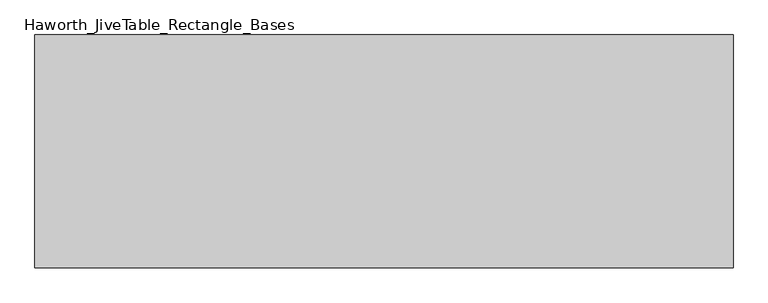
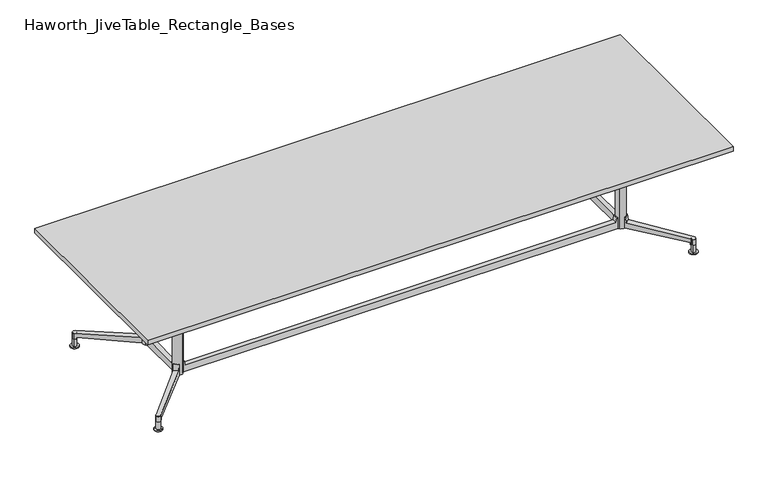
"""IFC4 building model written with IfcOpenShell, lengths in millimetres: furniture geometry, Haworth_JiveTable_Rectangle_Bases."""

from ifc_helpers import new_model, si_unit, point, frame, frame_2d, origin, place, context, project, spatial, polyline, circle_curve, ellipse_curve, trimmed, segment, composite_curve, outline, extrude, source, transform, mapped, element, save
from ifc_brep_helpers import plane_surface, cylinder_surface, revolved_surface, advanced_brep


def haworth_jivetable_rectangle_bases_d33892d9(model_context):
    return source(origin(), model_context, "Body", "SolidModel", [
        advanced_brep(
        [(1390.088917, -194.8375246, 173.0375), (1394.1978014, -198.8640417, 173.0375), (1417.9923532, -175.5826329, 173.0375), (1413.576776, -171.0697325, 173.0375), (1413.576776, -171.0697325, 101.0421222), (1390.088917, -194.8375246, 100.9940325), (1421.5979173, -179.2676669, 136.3947533), (1680.2733306, -443.6445174, 93.1247093), (1680.2733306, -443.6445174, 55.5625), (1671.6259678, -434.806559, 55.5625), (1671.6259678, -434.806559, 69.4767965), (1662.525022, -461.8123334, 93.057626), (1662.525022, -461.8123334, 55.5625), (1653.2821686, -452.7547637, 69.4767965), (1653.2821686, -452.7547637, 55.5625), (1397.8808514, -202.4732607, 136.3947533)],
        [
            (0, 1),
            (1, 2),
            (2, 3),
            (3, 0, circle_curve(frame((1383.9248786, -165.2565777, 173.0375), z_axis=(0.0, 0.0, -1.0), x_axis=(0.7071067811865495, -0.7071067811865461, 0.0)), 30.2163497)),
            (3, 4),
            (4, 5, ellipse_curve(frame((1383.9248786, -165.2565777, 103.1715999), z_axis=(-0.05961052197709179, 0.06092439113215622, -0.9963607801568641), x_axis=(0.6968124284208097, -0.7121707968128778, -0.08523611772719783)), 30.3267153, 30.2163497)),
            (5, 0),
            (2, 6),
            (6, 7),
            (7, 8),
            (8, 9),
            (9, 10),
            (10, 4),
            (11, 12),
            (12, 8, circle_curve(frame((1671.2930745, -452.6247735, 55.5625), z_axis=(0.0, 0.0, 1.0), x_axis=(0.7071067811865495, -0.7071067811865461, 0.0)), 12.7)),
            (7, 11, ellipse_curve(frame((1671.2930745, -452.6247735, 93.1085155), z_axis=(-0.08126042360887147, 0.08305147593597909, -0.9932266588748826), x_axis=(-0.6946205570575879, 0.7099306146467901, 0.11619296063117338)), 12.7866081, 12.7)),
            (5, 13),
            (13, 14),
            (14, 12),
            (11, 15),
            (15, 1),
            (6, 15),
            (10, 13),
            (9, 14),
        ],
        [
            plane_surface(frame((1405.2910644, -186.6227634, 173.0375), z_axis=(0.0, 0.0, 1.0000000000000002), x_axis=(0.7071067811865459, 0.7071067811865492, 0.0))),
            revolved_surface(polyline([(1405.2910643755743, -186.62276347557406, 100.58666842441), (1405.2910643755743, -186.62276347557406, 173.0375)]), (1383.9248786, -165.2565777, 30.1625), (0.0, 0.0, -1.0)),
            plane_surface(frame((1413.576776, -171.0697325, 173.0375), z_axis=(0.7147720092924127, 0.6993575442733762, 0.0), x_axis=(0.0, 0.0, -1.0))),
            cylinder_surface(frame((1671.2930745, -452.6247735, 30.1625), z_axis=(0.0, 0.0, 1.0), x_axis=(0.7071067811865495, -0.7071067811865461, 0.0)), 12.7),
            plane_surface(frame((1662.525022, -461.8123334, 173.0375), z_axis=(-0.6999117667834052, -0.7142293180191727, 0.0), x_axis=(0.0, 0.0, -1.0))),
            plane_surface(frame((1673.8282112, -494.3704026, 89.4104246), z_axis=(0.08126042360887147, -0.08305147593597909, 0.9932266588748826), x_axis=(0.714772009292413, 0.6993575442733757, 0.0))),
            plane_surface(frame((1392.9481958, -207.2995408, 136.3947533), z_axis=(0.6925364975808149, -0.7078006206374374, 0.13932509086218658), x_axis=(0.714772009292413, 0.6993575442733757, 0.0))),
            plane_surface(frame((1367.4100917, -181.140637, 103.1883894), z_axis=(-0.05961052197709179, 0.06092439113215622, -0.9963607801568641), x_axis=(0.7147720092924127, 0.699357544273376, 0.0))),
            plane_surface(frame((1643.005198, -462.8101056, 69.4767965), z_axis=(-0.699357544273376, 0.7147720092924127, 0.0), x_axis=(0.7147720092924127, 0.699357544273376, 0.0))),
            plane_surface(frame((1643.005198, -462.8101056, 55.5625), z_axis=(0.0, 0.0, -1.0), x_axis=(0.7147720092924127, 0.699357544273376, 0.0))),
        ],
        [
            (0, [[1, 2, 3, 4]]),
            (1, [[5, 6, 7, -4]]),
            (2, [[8, 9, 10, 11, 12, 13, -5, -3]]),
            (3, [[14, 15, -10, 16]]),
            (4, [[-7, 17, 18, 19, -14, 20, 21, -1]]),
            (5, [[-20, -16, -9, 22]]),
            (6, [[-8, -2, -21, -22]]),
            (7, [[-17, -6, -13, 23]]),
            (8, [[-12, 24, -18, -23]]),
            (9, [[-11, -15, -19, -24]]),
        ],
    ),
        advanced_brep(
        [(1671.3640739, -452.5537741, 91.1070474), (1680.34433, -443.573518, 91.1070474), (1662.3838178, -461.5340303, 91.1070474), (1653.4035616, -470.5142864, 0.0), (1689.3245861, -434.5932619, 0.0), (1671.3640739, -452.5537741, 0.0), (1653.4035616, -470.5142864, 4.7625), (1689.3245861, -434.5932619, 4.7625), (1662.3838178, -461.5340303, 4.7625), (1680.34433, -443.573518, 4.7625)],
        [
            (0, 1),
            (1, 2, circle_curve(frame((1671.3640739, -452.5537741, 91.1070474), z_axis=(0.0, 0.0, 1.0), x_axis=(0.7071067811865104, 0.7071067811865848, 0.0)), 12.7)),
            (2, 0),
            (2, 1, circle_curve(frame((1671.3640739, -452.5537741, 91.1070474), z_axis=(0.0, 0.0, 1.0), x_axis=(0.7071067811865104, 0.7071067811865848, 0.0)), 12.7)),
            (3, 4, circle_curve(frame((1671.3640739, -452.5537741, 0.0), z_axis=(0.0, 0.0, -1.0), x_axis=(0.7071067811865104, 0.7071067811865848, 0.0)), 25.4)),
            (4, 5),
            (5, 3),
            (4, 3, circle_curve(frame((1671.3640739, -452.5537741, 0.0), z_axis=(0.0, 0.0, -1.0), x_axis=(0.7071067811865104, 0.7071067811865848, 0.0)), 25.4)),
            (6, 7, circle_curve(frame((1671.3640739, -452.5537741, 4.7625), z_axis=(0.0, 0.0, -1.0), x_axis=(0.7071067811865104, 0.7071067811865848, 0.0)), 25.4)),
            (7, 4),
            (3, 6),
            (7, 6, circle_curve(frame((1671.3640739, -452.5537741, 4.7625), z_axis=(0.0, 0.0, -1.0), x_axis=(0.7071067811865104, 0.7071067811865848, 0.0)), 25.4)),
            (8, 9, circle_curve(frame((1671.3640739, -452.5537741, 4.7625), z_axis=(0.0, 0.0, -1.0), x_axis=(0.7071067811865104, 0.7071067811865848, 0.0)), 12.7)),
            (9, 7),
            (6, 8),
            (9, 8, circle_curve(frame((1671.3640739, -452.5537741, 4.7625), z_axis=(0.0, 0.0, -1.0), x_axis=(0.7071067811865104, 0.7071067811865848, 0.0)), 12.7)),
            (1, 9),
            (8, 2),
        ],
        [
            plane_surface(frame((1671.3640739, -452.5537741, 91.1070474), z_axis=(0.0, 0.0, 1.0), x_axis=(0.7071067811865104, 0.7071067811865848, 0.0))),
            plane_surface(frame((1671.3640739, -452.5537741, 0.0), z_axis=(0.0, 0.0, -1.0), x_axis=(0.7071067811865104, 0.7071067811865848, 0.0))),
            cylinder_surface(frame((1671.3640739, -452.5537741, 106.1427212), z_axis=(0.0, 0.0, 1.0), x_axis=(0.7071067811865104, 0.7071067811865848, 0.0)), 25.4),
            plane_surface(frame((1671.3640739, -452.5537741, 4.7625), z_axis=(0.0, 0.0, 1.0), x_axis=(0.7071067811865104, 0.7071067811865848, 0.0))),
            cylinder_surface(frame((1671.3640739, -452.5537741, 106.1427212), z_axis=(0.0, 0.0, 1.0), x_axis=(0.7071067811865104, 0.7071067811865848, 0.0)), 12.7),
        ],
        [
            (0, [[1, 2, 3]]),
            (0, [[-3, 4, -1]]),
            (1, [[5, 6, 7]]),
            (1, [[8, -7, -6]]),
            (2, [[9, 10, -5, 11]]),
            (2, [[12, -11, -8, -10]]),
            (3, [[13, 14, -9, 15]]),
            (3, [[16, -15, -12, -14]]),
            (4, [[-2, 17, -13, 18]]),
            (4, [[-4, -18, -16, -17]]),
        ],
    ),
        extrude(outline(composite_curve([segment(trimmed(circle_curve(frame_2d((1384.2598712, -164.8023438)), 29.972), [point((1405.4532756, -143.6089393))], [point((1363.0664667, -185.9957482))], False, "CARTESIAN"), True, "CONTINUOUS"), segment(trimmed(circle_curve(frame_2d((1384.2598712, -164.8023438)), 29.972), [point((1363.0664667, -185.9957482))], [point((1405.4532756, -143.6089393))], False, "CARTESIAN"), True, "CONTINUOUS")], self_intersect=False)), frame((0.0, 0.0, 100.8404831), z_axis=(0.0, 0.0, 1.0), x_axis=(1.0, 0.0, 0.0)), (0.0, 0.0, 1.0), 599.2470169),
        extrude(outline(composite_curve([segment(trimmed(circle_curve(frame_2d((1451.4796151, -97.5825999)), 8.9802561), [point((1451.4796151, -88.6023438))], [point((1460.4598712, -97.5825999))], False, "CARTESIAN"), True, "CONTINUOUS"), segment(polyline([(1460.4598712, -97.5825999), (1460.4598712, -232.0220876)]), True, "CONTINUOUS"), segment(trimmed(circle_curve(frame_2d((1451.4796151, -232.0220876)), 8.9802561), [point((1460.4598712, -232.0220876))], [point((1451.4796151, -241.0023438))], False, "CARTESIAN"), True, "CONTINUOUS"), segment(polyline([(1451.4796151, -241.0023438), (1317.0401273, -241.0023438)]), True, "CONTINUOUS"), segment(trimmed(circle_curve(frame_2d((1317.0401273, -232.0220876)), 8.9802561), [point((1317.0401273, -241.0023438))], [point((1308.0598712, -232.0220876))], False, "CARTESIAN"), True, "CONTINUOUS"), segment(polyline([(1308.0598712, -232.0220876), (1308.0598712, -97.5825999)]), True, "CONTINUOUS"), segment(trimmed(circle_curve(frame_2d((1317.0401273, -97.5825999)), 8.9802561), [point((1308.0598712, -97.5825999))], [point((1317.0401273, -88.6023438))], False, "CARTESIAN"), True, "CONTINUOUS"), segment(polyline([(1317.0401273, -88.6023438), (1451.4796151, -88.6023438)]), True, "CONTINUOUS")], self_intersect=False)), frame((0.0, 0.0, 700.0875), z_axis=(0.0, 0.0, 1.0), x_axis=(1.0, 0.0, 0.0)), (0.0, 0.0, 1.0), 6.35),
        advanced_brep(
        [(-1390.088917, -194.8375246, 173.0375), (-1413.576776, -171.0697325, 173.0375), (-1417.9923532, -175.5826329, 173.0375), (-1394.1978014, -198.8640417, 173.0375), (-1390.088917, -194.8375246, 100.9940325), (-1413.576776, -171.0697325, 101.0421222), (-1671.6259678, -434.806559, 69.4767965), (-1671.6259678, -434.806559, 55.5625), (-1680.2733306, -443.6445174, 55.5625), (-1680.2733306, -443.6445174, 93.1247093), (-1421.5979173, -179.2676669, 136.3947533), (-1662.525022, -461.8123334, 93.057626), (-1662.525022, -461.8123334, 55.5625), (-1397.8808514, -202.4732607, 136.3947533), (-1653.2821686, -452.7547637, 55.5625), (-1653.2821686, -452.7547637, 69.4767965)],
        [
            (0, 1, circle_curve(frame((-1383.9248786, -165.2565777, 173.0375), z_axis=(0.0, 0.0, -1.0), x_axis=(-0.7071067811865495, -0.7071067811865461, 0.0)), 30.2163497)),
            (1, 2),
            (2, 3),
            (3, 0),
            (0, 4),
            (4, 5, ellipse_curve(frame((-1383.9248786, -165.2565777, 103.1715999), z_axis=(0.05961052197709179, 0.06092439113215622, -0.9963607801568641), x_axis=(-0.6968124284208097, -0.7121707968128778, -0.08523611772719783)), 30.3267153, 30.2163497)),
            (5, 1),
            (5, 6),
            (6, 7),
            (7, 8),
            (8, 9),
            (9, 10),
            (10, 2),
            (11, 9, ellipse_curve(frame((-1671.2930745, -452.6247735, 93.1085155), z_axis=(0.08126042360887147, 0.08305147593597909, -0.9932266588748826), x_axis=(0.6946205570575879, 0.7099306146467901, 0.11619296063117338)), 12.7866081, 12.7)),
            (8, 12, circle_curve(frame((-1671.2930745, -452.6247735, 55.5625), z_axis=(0.0, 0.0, 1.0), x_axis=(-0.7071067811865495, -0.7071067811865461, 0.0)), 12.7)),
            (12, 11),
            (3, 13),
            (13, 11),
            (12, 14),
            (14, 15),
            (15, 4),
            (13, 10),
            (15, 6),
            (14, 7),
        ],
        [
            plane_surface(frame((-1405.2910644, -186.6227634, 173.0375), z_axis=(0.0, 0.0, 1.0000000000000002), x_axis=(-0.7071067811865459, 0.7071067811865492, 0.0))),
            revolved_surface(polyline([(-1405.2910643755743, -186.62276347557406, 100.58666842441), (-1405.2910643755743, -186.62276347557406, 173.0375)]), (-1383.9248786, -165.2565777, 30.1625), (0.0, 0.0, -1.0)),
            plane_surface(frame((-1413.576776, -171.0697325, 173.0375), z_axis=(-0.7147720092924127, 0.6993575442733762, 0.0), x_axis=(0.0, 0.0, -1.0))),
            cylinder_surface(frame((-1671.2930745, -452.6247735, 30.1625), z_axis=(0.0, 0.0, 1.0), x_axis=(-0.7071067811865495, -0.7071067811865461, 0.0)), 12.7),
            plane_surface(frame((-1662.525022, -461.8123334, 173.0375), z_axis=(0.6999117667834052, -0.7142293180191727, 0.0), x_axis=(0.0, 0.0, -1.0))),
            plane_surface(frame((-1673.8282112, -494.3704026, 89.4104246), z_axis=(-0.08126042360887147, -0.08305147593597909, 0.9932266588748826), x_axis=(-0.714772009292413, 0.6993575442733757, 0.0))),
            plane_surface(frame((-1392.9481958, -207.2995408, 136.3947533), z_axis=(-0.6925364975808149, -0.7078006206374374, 0.13932509086218658), x_axis=(-0.714772009292413, 0.6993575442733757, 0.0))),
            plane_surface(frame((-1367.4100917, -181.140637, 103.1883894), z_axis=(0.05961052197709179, 0.06092439113215622, -0.9963607801568641), x_axis=(-0.7147720092924127, 0.699357544273376, 0.0))),
            plane_surface(frame((-1643.005198, -462.8101056, 69.4767965), z_axis=(0.699357544273376, 0.7147720092924127, 0.0), x_axis=(-0.7147720092924127, 0.699357544273376, 0.0))),
            plane_surface(frame((-1643.005198, -462.8101056, 55.5625), z_axis=(0.0, 0.0, -1.0), x_axis=(-0.7147720092924127, 0.699357544273376, 0.0))),
        ],
        [
            (0, [[1, 2, 3, 4]]),
            (1, [[-1, 5, 6, 7]]),
            (2, [[-2, -7, 8, 9, 10, 11, 12, 13]]),
            (3, [[14, -11, 15, 16]]),
            (4, [[-4, 17, 18, -16, 19, 20, 21, -5]]),
            (5, [[22, -12, -14, -18]]),
            (6, [[-22, -17, -3, -13]]),
            (7, [[23, -8, -6, -21]]),
            (8, [[-23, -20, 24, -9]]),
            (9, [[-24, -19, -15, -10]]),
        ],
    ),
        advanced_brep(
        [(-1671.3640739, -452.5537741, 91.1070474), (-1662.3838178, -461.5340303, 91.1070474), (-1680.34433, -443.573518, 91.1070474), (-1653.4035616, -470.5142864, 0.0), (-1671.3640739, -452.5537741, 0.0), (-1689.3245861, -434.5932619, 0.0), (-1653.4035616, -470.5142864, 4.7625), (-1689.3245861, -434.5932619, 4.7625), (-1662.3838178, -461.5340303, 4.7625), (-1680.34433, -443.573518, 4.7625)],
        [
            (0, 1),
            (1, 2, circle_curve(frame((-1671.3640739, -452.5537741, 91.1070474), z_axis=(0.0, 0.0, 1.0), x_axis=(-0.7071067811865104, 0.7071067811865848, 0.0)), 12.7)),
            (2, 0),
            (2, 1, circle_curve(frame((-1671.3640739, -452.5537741, 91.1070474), z_axis=(0.0, 0.0, 1.0), x_axis=(-0.7071067811865104, 0.7071067811865848, 0.0)), 12.7)),
            (3, 4),
            (4, 5),
            (5, 3, circle_curve(frame((-1671.3640739, -452.5537741, 0.0), z_axis=(0.0, 0.0, -1.0), x_axis=(-0.7071067811865104, 0.7071067811865848, 0.0)), 25.4)),
            (3, 5, circle_curve(frame((-1671.3640739, -452.5537741, 0.0), z_axis=(0.0, 0.0, -1.0), x_axis=(-0.7071067811865104, 0.7071067811865848, 0.0)), 25.4)),
            (6, 3),
            (5, 7),
            (7, 6, circle_curve(frame((-1671.3640739, -452.5537741, 4.7625), z_axis=(0.0, 0.0, -1.0), x_axis=(-0.7071067811865104, 0.7071067811865848, 0.0)), 25.4)),
            (6, 7, circle_curve(frame((-1671.3640739, -452.5537741, 4.7625), z_axis=(0.0, 0.0, -1.0), x_axis=(-0.7071067811865104, 0.7071067811865848, 0.0)), 25.4)),
            (8, 6),
            (7, 9),
            (9, 8, circle_curve(frame((-1671.3640739, -452.5537741, 4.7625), z_axis=(0.0, 0.0, -1.0), x_axis=(-0.7071067811865104, 0.7071067811865848, 0.0)), 12.7)),
            (8, 9, circle_curve(frame((-1671.3640739, -452.5537741, 4.7625), z_axis=(0.0, 0.0, -1.0), x_axis=(-0.7071067811865104, 0.7071067811865848, 0.0)), 12.7)),
            (1, 8),
            (9, 2),
        ],
        [
            plane_surface(frame((-1671.3640739, -452.5537741, 91.1070474), z_axis=(0.0, 0.0, 1.0), x_axis=(-0.7071067811865104, 0.7071067811865848, 0.0))),
            plane_surface(frame((-1671.3640739, -452.5537741, 0.0), z_axis=(0.0, 0.0, -1.0), x_axis=(-0.7071067811865104, 0.7071067811865848, 0.0))),
            cylinder_surface(frame((-1671.3640739, -452.5537741, 106.1427212), z_axis=(0.0, 0.0, 1.0), x_axis=(-0.7071067811865104, 0.7071067811865848, 0.0)), 25.4),
            plane_surface(frame((-1671.3640739, -452.5537741, 4.7625), z_axis=(0.0, 0.0, 1.0), x_axis=(-0.7071067811865104, 0.7071067811865848, 0.0))),
            cylinder_surface(frame((-1671.3640739, -452.5537741, 106.1427212), z_axis=(0.0, 0.0, 1.0), x_axis=(-0.7071067811865104, 0.7071067811865848, 0.0)), 12.7),
        ],
        [
            (0, [[1, 2, 3]]),
            (0, [[-3, 4, -1]]),
            (1, [[5, 6, 7]]),
            (1, [[-6, -5, 8]]),
            (2, [[9, -7, 10, 11]]),
            (2, [[-10, -8, -9, 12]]),
            (3, [[13, -11, 14, 15]]),
            (3, [[-14, -12, -13, 16]]),
            (4, [[17, -15, 18, -2]]),
            (4, [[-18, -16, -17, -4]]),
        ],
    ),
        extrude(outline(composite_curve([segment(trimmed(circle_curve(frame_2d((-1384.2598712, -164.8023438)), 29.972), [point((-1405.4532756, -143.6089393))], [point((-1363.0664667, -185.9957482))], False, "CARTESIAN"), True, "CONTINUOUS"), segment(trimmed(circle_curve(frame_2d((-1384.2598712, -164.8023438)), 29.972), [point((-1363.0664667, -185.9957482))], [point((-1405.4532756, -143.6089393))], False, "CARTESIAN"), True, "CONTINUOUS")], self_intersect=False)), frame((0.0, 0.0, 100.8404831), z_axis=(0.0, 0.0, 1.0), x_axis=(1.0, 0.0, 0.0)), (0.0, 0.0, 1.0), 599.2470169),
        extrude(outline(composite_curve([segment(polyline([(-1451.4796151, -88.6023438), (-1317.0401273, -88.6023438)]), True, "CONTINUOUS"), segment(trimmed(circle_curve(frame_2d((-1317.0401273, -97.5825999)), 8.9802561), [point((-1317.0401273, -88.6023438))], [point((-1308.0598712, -97.5825999))], False, "CARTESIAN"), True, "CONTINUOUS"), segment(polyline([(-1308.0598712, -97.5825999), (-1308.0598712, -232.0220876)]), True, "CONTINUOUS"), segment(trimmed(circle_curve(frame_2d((-1317.0401273, -232.0220876)), 8.9802561), [point((-1308.0598712, -232.0220876))], [point((-1317.0401273, -241.0023438))], False, "CARTESIAN"), True, "CONTINUOUS"), segment(polyline([(-1317.0401273, -241.0023438), (-1451.4796151, -241.0023438)]), True, "CONTINUOUS"), segment(trimmed(circle_curve(frame_2d((-1451.4796151, -232.0220876)), 8.9802561), [point((-1451.4796151, -241.0023438))], [point((-1460.4598712, -232.0220876))], False, "CARTESIAN"), True, "CONTINUOUS"), segment(polyline([(-1460.4598712, -232.0220876), (-1460.4598712, -97.5825999)]), True, "CONTINUOUS"), segment(trimmed(circle_curve(frame_2d((-1451.4796151, -97.5825999)), 8.9802561), [point((-1460.4598712, -97.5825999))], [point((-1451.4796151, -88.6023438))], False, "CARTESIAN"), True, "CONTINUOUS")], self_intersect=False)), frame((0.0, 0.0, 700.0875), z_axis=(0.0, 0.0, 1.0), x_axis=(1.0, 0.0, 0.0)), (0.0, 0.0, 1.0), 6.35),
        advanced_brep(
        [(1390.088917, 194.8656432, 173.0375), (1413.576776, 171.0978511, 173.0375), (1417.9923532, 175.6107515, 173.0375), (1394.1978014, 198.8921602, 173.0375), (1390.088917, 194.8656432, 100.9940325), (1413.576776, 171.0978511, 101.0421222), (1671.6259678, 434.8346776, 69.4767965), (1671.6259678, 434.8346776, 55.5625), (1680.2733306, 443.672636, 55.5625), (1680.2733306, 443.672636, 93.1247093), (1421.5979173, 179.2957854, 136.3947533), (1662.525022, 461.840452, 93.057626), (1662.525022, 461.840452, 55.5625), (1397.8808514, 202.5013793, 136.3947533), (1653.2821686, 452.7828822, 55.5625), (1653.2821686, 452.7828822, 69.4767965)],
        [
            (0, 1, circle_curve(frame((1383.9248786, 165.2846962, 173.0375), z_axis=(0.0, 0.0, -1.0), x_axis=(0.7071067811865495, 0.7071067811865461, 0.0)), 30.2163497)),
            (1, 2),
            (2, 3),
            (3, 0),
            (0, 4),
            (4, 5, ellipse_curve(frame((1383.9248786, 165.2846962, 103.1715999), z_axis=(-0.05961052197709179, -0.06092439113215622, -0.9963607801568641), x_axis=(0.6968124284208097, 0.7121707968128778, -0.08523611772719783)), 30.3267153, 30.2163497)),
            (5, 1),
            (5, 6),
            (6, 7),
            (7, 8),
            (8, 9),
            (9, 10),
            (10, 2),
            (11, 9, ellipse_curve(frame((1671.2930745, 452.6528921, 93.1085155), z_axis=(-0.08126042360887147, -0.08305147593597909, -0.9932266588748826), x_axis=(-0.6946205570575879, -0.7099306146467901, 0.11619296063117338)), 12.7866081, 12.7)),
            (8, 12, circle_curve(frame((1671.2930745, 452.6528921, 55.5625), z_axis=(0.0, 0.0, 1.0), x_axis=(0.7071067811865495, 0.7071067811865461, 0.0)), 12.7)),
            (12, 11),
            (3, 13),
            (13, 11),
            (12, 14),
            (14, 15),
            (15, 4),
            (13, 10),
            (15, 6),
            (14, 7),
        ],
        [
            plane_surface(frame((1405.2910644, 186.650882, 173.0375), z_axis=(0.0, 0.0, 1.0000000000000002), x_axis=(0.7071067811865459, -0.7071067811865492, 0.0))),
            revolved_surface(polyline([(1405.2910643755743, 186.65088197557407, 100.58666842441), (1405.2910643755743, 186.65088197557407, 173.0375)]), (1383.9248786, 165.2846962, 30.1625), (0.0, 0.0, -1.0)),
            plane_surface(frame((1413.576776, 171.0978511, 173.0375), z_axis=(0.7147720092924127, -0.6993575442733762, 0.0), x_axis=(0.0, 0.0, -1.0))),
            cylinder_surface(frame((1671.2930745, 452.6528921, 30.1625), z_axis=(0.0, 0.0, 1.0), x_axis=(0.7071067811865495, 0.7071067811865461, 0.0)), 12.7),
            plane_surface(frame((1662.525022, 461.840452, 173.0375), z_axis=(-0.6999117667834052, 0.7142293180191727, 0.0), x_axis=(0.0, 0.0, -1.0))),
            plane_surface(frame((1673.8282112, 494.3985212, 89.4104246), z_axis=(0.08126042360887147, 0.08305147593597909, 0.9932266588748826), x_axis=(0.714772009292413, -0.6993575442733757, 0.0))),
            plane_surface(frame((1392.9481958, 207.3276593, 136.3947533), z_axis=(0.6925364975808149, 0.7078006206374374, 0.13932509086218658), x_axis=(0.714772009292413, -0.6993575442733757, 0.0))),
            plane_surface(frame((1367.4100917, 181.1687556, 103.1883894), z_axis=(-0.05961052197709179, -0.06092439113215622, -0.9963607801568641), x_axis=(0.7147720092924127, -0.699357544273376, 0.0))),
            plane_surface(frame((1643.005198, 462.8382242, 69.4767965), z_axis=(-0.699357544273376, -0.7147720092924127, 0.0), x_axis=(0.7147720092924127, -0.699357544273376, 0.0))),
            plane_surface(frame((1643.005198, 462.8382242, 55.5625), z_axis=(0.0, 0.0, -1.0), x_axis=(0.7147720092924127, -0.699357544273376, 0.0))),
        ],
        [
            (0, [[1, 2, 3, 4]]),
            (1, [[-1, 5, 6, 7]]),
            (2, [[-2, -7, 8, 9, 10, 11, 12, 13]]),
            (3, [[14, -11, 15, 16]]),
            (4, [[-4, 17, 18, -16, 19, 20, 21, -5]]),
            (5, [[22, -12, -14, -18]]),
            (6, [[-22, -17, -3, -13]]),
            (7, [[23, -8, -6, -21]]),
            (8, [[-23, -20, 24, -9]]),
            (9, [[-24, -19, -15, -10]]),
        ],
    ),
        advanced_brep(
        [(1671.3640739, 452.5818927, 91.1070474), (1662.3838178, 461.5621488, 91.1070474), (1680.34433, 443.6016366, 91.1070474), (1653.4035616, 470.542405, 0.0), (1671.3640739, 452.5818927, 0.0), (1689.3245861, 434.6213805, 0.0), (1653.4035616, 470.542405, 4.7625), (1689.3245861, 434.6213805, 4.7625), (1662.3838178, 461.5621488, 4.7625), (1680.34433, 443.6016366, 4.7625)],
        [
            (0, 1),
            (1, 2, circle_curve(frame((1671.3640739, 452.5818927, 91.1070474), z_axis=(0.0, 0.0, 1.0), x_axis=(0.7071067811865104, -0.7071067811865848, 0.0)), 12.7)),
            (2, 0),
            (2, 1, circle_curve(frame((1671.3640739, 452.5818927, 91.1070474), z_axis=(0.0, 0.0, 1.0), x_axis=(0.7071067811865104, -0.7071067811865848, 0.0)), 12.7)),
            (3, 4),
            (4, 5),
            (5, 3, circle_curve(frame((1671.3640739, 452.5818927, 0.0), z_axis=(0.0, 0.0, -1.0), x_axis=(0.7071067811865104, -0.7071067811865848, 0.0)), 25.4)),
            (3, 5, circle_curve(frame((1671.3640739, 452.5818927, 0.0), z_axis=(0.0, 0.0, -1.0), x_axis=(0.7071067811865104, -0.7071067811865848, 0.0)), 25.4)),
            (6, 3),
            (5, 7),
            (7, 6, circle_curve(frame((1671.3640739, 452.5818927, 4.7625), z_axis=(0.0, 0.0, -1.0), x_axis=(0.7071067811865104, -0.7071067811865848, 0.0)), 25.4)),
            (6, 7, circle_curve(frame((1671.3640739, 452.5818927, 4.7625), z_axis=(0.0, 0.0, -1.0), x_axis=(0.7071067811865104, -0.7071067811865848, 0.0)), 25.4)),
            (8, 6),
            (7, 9),
            (9, 8, circle_curve(frame((1671.3640739, 452.5818927, 4.7625), z_axis=(0.0, 0.0, -1.0), x_axis=(0.7071067811865104, -0.7071067811865848, 0.0)), 12.7)),
            (8, 9, circle_curve(frame((1671.3640739, 452.5818927, 4.7625), z_axis=(0.0, 0.0, -1.0), x_axis=(0.7071067811865104, -0.7071067811865848, 0.0)), 12.7)),
            (1, 8),
            (9, 2),
        ],
        [
            plane_surface(frame((1671.3640739, 452.5818927, 91.1070474), z_axis=(0.0, 0.0, 1.0), x_axis=(0.7071067811865104, -0.7071067811865848, 0.0))),
            plane_surface(frame((1671.3640739, 452.5818927, 0.0), z_axis=(0.0, 0.0, -1.0), x_axis=(0.7071067811865104, -0.7071067811865848, 0.0))),
            cylinder_surface(frame((1671.3640739, 452.5818927, 106.1427212), z_axis=(0.0, 0.0, 1.0), x_axis=(0.7071067811865104, -0.7071067811865848, 0.0)), 25.4),
            plane_surface(frame((1671.3640739, 452.5818927, 4.7625), z_axis=(0.0, 0.0, 1.0), x_axis=(0.7071067811865104, -0.7071067811865848, 0.0))),
            cylinder_surface(frame((1671.3640739, 452.5818927, 106.1427212), z_axis=(0.0, 0.0, 1.0), x_axis=(0.7071067811865104, -0.7071067811865848, 0.0)), 12.7),
        ],
        [
            (0, [[1, 2, 3]]),
            (0, [[-3, 4, -1]]),
            (1, [[5, 6, 7]]),
            (1, [[-6, -5, 8]]),
            (2, [[9, -7, 10, 11]]),
            (2, [[-10, -8, -9, 12]]),
            (3, [[13, -11, 14, 15]]),
            (3, [[-14, -12, -13, 16]]),
            (4, [[17, -15, 18, -2]]),
            (4, [[-18, -16, -17, -4]]),
        ],
    ),
        extrude(outline(composite_curve([segment(trimmed(circle_curve(frame_2d((1384.2598712, 164.8304623)), 29.972), [point((1405.4532756, 143.6370579))], [point((1363.0664667, 186.0238668))], False, "CARTESIAN"), True, "CONTINUOUS"), segment(trimmed(circle_curve(frame_2d((1384.2598712, 164.8304623)), 29.972), [point((1363.0664667, 186.0238668))], [point((1405.4532756, 143.6370579))], False, "CARTESIAN"), True, "CONTINUOUS")], self_intersect=False)), frame((0.0, 0.0, 100.8404831), z_axis=(0.0, 0.0, 1.0), x_axis=(1.0, 0.0, 0.0)), (0.0, 0.0, 1.0), 599.2470169),
        extrude(outline(composite_curve([segment(polyline([(1451.4796151, 88.6304623), (1317.0401273, 88.6304623)]), True, "CONTINUOUS"), segment(trimmed(circle_curve(frame_2d((1317.0401273, 97.6107184)), 8.9802561), [point((1317.0401273, 88.6304623))], [point((1308.0598712, 97.6107184))], False, "CARTESIAN"), True, "CONTINUOUS"), segment(polyline([(1308.0598712, 97.6107184), (1308.0598712, 232.0502062)]), True, "CONTINUOUS"), segment(trimmed(circle_curve(frame_2d((1317.0401273, 232.0502062)), 8.9802561), [point((1308.0598712, 232.0502062))], [point((1317.0401273, 241.0304623))], False, "CARTESIAN"), True, "CONTINUOUS"), segment(polyline([(1317.0401273, 241.0304623), (1451.4796151, 241.0304623)]), True, "CONTINUOUS"), segment(trimmed(circle_curve(frame_2d((1451.4796151, 232.0502062)), 8.9802561), [point((1451.4796151, 241.0304623))], [point((1460.4598712, 232.0502062))], False, "CARTESIAN"), True, "CONTINUOUS"), segment(polyline([(1460.4598712, 232.0502062), (1460.4598712, 97.6107184)]), True, "CONTINUOUS"), segment(trimmed(circle_curve(frame_2d((1451.4796151, 97.6107184)), 8.9802561), [point((1460.4598712, 97.6107184))], [point((1451.4796151, 88.6304623))], False, "CARTESIAN"), True, "CONTINUOUS")], self_intersect=False)), frame((0.0, 0.0, 700.0875), z_axis=(0.0, 0.0, 1.0), x_axis=(1.0, 0.0, 0.0)), (0.0, 0.0, 1.0), 6.35),
        advanced_brep(
        [(-1390.088917, 194.8656432, 173.0375), (-1394.1978014, 198.8921602, 173.0375), (-1417.9923532, 175.6107515, 173.0375), (-1413.576776, 171.0978511, 173.0375), (-1413.576776, 171.0978511, 101.0421222), (-1390.088917, 194.8656432, 100.9940325), (-1421.5979173, 179.2957854, 136.3947533), (-1680.2733306, 443.672636, 93.1247093), (-1680.2733306, 443.672636, 55.5625), (-1671.6259678, 434.8346776, 55.5625), (-1671.6259678, 434.8346776, 69.4767965), (-1662.525022, 461.840452, 93.057626), (-1662.525022, 461.840452, 55.5625), (-1653.2821686, 452.7828822, 69.4767965), (-1653.2821686, 452.7828822, 55.5625), (-1397.8808514, 202.5013793, 136.3947533)],
        [
            (0, 1),
            (1, 2),
            (2, 3),
            (3, 0, circle_curve(frame((-1383.9248786, 165.2846962, 173.0375), z_axis=(0.0, 0.0, -1.0), x_axis=(-0.7071067811865495, 0.7071067811865461, 0.0)), 30.2163497)),
            (3, 4),
            (4, 5, ellipse_curve(frame((-1383.9248786, 165.2846962, 103.1715999), z_axis=(0.05961052197709179, -0.06092439113215622, -0.9963607801568641), x_axis=(-0.6968124284208097, 0.7121707968128778, -0.08523611772719783)), 30.3267153, 30.2163497)),
            (5, 0),
            (2, 6),
            (6, 7),
            (7, 8),
            (8, 9),
            (9, 10),
            (10, 4),
            (11, 12),
            (12, 8, circle_curve(frame((-1671.2930745, 452.6528921, 55.5625), z_axis=(0.0, 0.0, 1.0), x_axis=(-0.7071067811865495, 0.7071067811865461, 0.0)), 12.7)),
            (7, 11, ellipse_curve(frame((-1671.2930745, 452.6528921, 93.1085155), z_axis=(0.08126042360887147, -0.08305147593597909, -0.9932266588748826), x_axis=(0.6946205570575879, -0.7099306146467901, 0.11619296063117338)), 12.7866081, 12.7)),
            (5, 13),
            (13, 14),
            (14, 12),
            (11, 15),
            (15, 1),
            (6, 15),
            (10, 13),
            (9, 14),
        ],
        [
            plane_surface(frame((-1405.2910644, 186.650882, 173.0375), z_axis=(0.0, 0.0, 1.0000000000000002), x_axis=(-0.7071067811865459, -0.7071067811865492, 0.0))),
            revolved_surface(polyline([(-1405.2910643755743, 186.65088197557407, 100.58666842441), (-1405.2910643755743, 186.65088197557407, 173.0375)]), (-1383.9248786, 165.2846962, 30.1625), (0.0, 0.0, -1.0)),
            plane_surface(frame((-1413.576776, 171.0978511, 173.0375), z_axis=(-0.7147720092924127, -0.6993575442733762, 0.0), x_axis=(0.0, 0.0, -1.0))),
            cylinder_surface(frame((-1671.2930745, 452.6528921, 30.1625), z_axis=(0.0, 0.0, 1.0), x_axis=(-0.7071067811865495, 0.7071067811865461, 0.0)), 12.7),
            plane_surface(frame((-1662.525022, 461.840452, 173.0375), z_axis=(0.6999117667834052, 0.7142293180191727, 0.0), x_axis=(0.0, 0.0, -1.0))),
            plane_surface(frame((-1673.8282112, 494.3985212, 89.4104246), z_axis=(-0.08126042360887147, 0.08305147593597909, 0.9932266588748826), x_axis=(-0.714772009292413, -0.6993575442733757, 0.0))),
            plane_surface(frame((-1392.9481958, 207.3276593, 136.3947533), z_axis=(-0.6925364975808149, 0.7078006206374374, 0.13932509086218658), x_axis=(-0.714772009292413, -0.6993575442733757, 0.0))),
            plane_surface(frame((-1367.4100917, 181.1687556, 103.1883894), z_axis=(0.05961052197709179, -0.06092439113215622, -0.9963607801568641), x_axis=(-0.7147720092924127, -0.699357544273376, 0.0))),
            plane_surface(frame((-1643.005198, 462.8382242, 69.4767965), z_axis=(0.699357544273376, -0.7147720092924127, 0.0), x_axis=(-0.7147720092924127, -0.699357544273376, 0.0))),
            plane_surface(frame((-1643.005198, 462.8382242, 55.5625), z_axis=(0.0, 0.0, -1.0), x_axis=(-0.7147720092924127, -0.699357544273376, 0.0))),
        ],
        [
            (0, [[1, 2, 3, 4]]),
            (1, [[5, 6, 7, -4]]),
            (2, [[8, 9, 10, 11, 12, 13, -5, -3]]),
            (3, [[14, 15, -10, 16]]),
            (4, [[-7, 17, 18, 19, -14, 20, 21, -1]]),
            (5, [[-20, -16, -9, 22]]),
            (6, [[-8, -2, -21, -22]]),
            (7, [[-17, -6, -13, 23]]),
            (8, [[-12, 24, -18, -23]]),
            (9, [[-11, -15, -19, -24]]),
        ],
    ),
        advanced_brep(
        [(-1671.3640739, 452.5818927, 91.1070474), (-1680.34433, 443.6016366, 91.1070474), (-1662.3838178, 461.5621488, 91.1070474), (-1653.4035616, 470.542405, 0.0), (-1689.3245861, 434.6213805, 0.0), (-1671.3640739, 452.5818927, 0.0), (-1653.4035616, 470.542405, 4.7625), (-1689.3245861, 434.6213805, 4.7625), (-1662.3838178, 461.5621488, 4.7625), (-1680.34433, 443.6016366, 4.7625)],
        [
            (0, 1),
            (1, 2, circle_curve(frame((-1671.3640739, 452.5818927, 91.1070474), z_axis=(0.0, 0.0, 1.0), x_axis=(-0.7071067811865104, -0.7071067811865848, 0.0)), 12.7)),
            (2, 0),
            (2, 1, circle_curve(frame((-1671.3640739, 452.5818927, 91.1070474), z_axis=(0.0, 0.0, 1.0), x_axis=(-0.7071067811865104, -0.7071067811865848, 0.0)), 12.7)),
            (3, 4, circle_curve(frame((-1671.3640739, 452.5818927, 0.0), z_axis=(0.0, 0.0, -1.0), x_axis=(-0.7071067811865104, -0.7071067811865848, 0.0)), 25.4)),
            (4, 5),
            (5, 3),
            (4, 3, circle_curve(frame((-1671.3640739, 452.5818927, 0.0), z_axis=(0.0, 0.0, -1.0), x_axis=(-0.7071067811865104, -0.7071067811865848, 0.0)), 25.4)),
            (6, 7, circle_curve(frame((-1671.3640739, 452.5818927, 4.7625), z_axis=(0.0, 0.0, -1.0), x_axis=(-0.7071067811865104, -0.7071067811865848, 0.0)), 25.4)),
            (7, 4),
            (3, 6),
            (7, 6, circle_curve(frame((-1671.3640739, 452.5818927, 4.7625), z_axis=(0.0, 0.0, -1.0), x_axis=(-0.7071067811865104, -0.7071067811865848, 0.0)), 25.4)),
            (8, 9, circle_curve(frame((-1671.3640739, 452.5818927, 4.7625), z_axis=(0.0, 0.0, -1.0), x_axis=(-0.7071067811865104, -0.7071067811865848, 0.0)), 12.7)),
            (9, 7),
            (6, 8),
            (9, 8, circle_curve(frame((-1671.3640739, 452.5818927, 4.7625), z_axis=(0.0, 0.0, -1.0), x_axis=(-0.7071067811865104, -0.7071067811865848, 0.0)), 12.7)),
            (1, 9),
            (8, 2),
        ],
        [
            plane_surface(frame((-1671.3640739, 452.5818927, 91.1070474), z_axis=(0.0, 0.0, 1.0), x_axis=(-0.7071067811865104, -0.7071067811865848, 0.0))),
            plane_surface(frame((-1671.3640739, 452.5818927, 0.0), z_axis=(0.0, 0.0, -1.0), x_axis=(-0.7071067811865104, -0.7071067811865848, 0.0))),
            cylinder_surface(frame((-1671.3640739, 452.5818927, 106.1427212), z_axis=(0.0, 0.0, 1.0), x_axis=(-0.7071067811865104, -0.7071067811865848, 0.0)), 25.4),
            plane_surface(frame((-1671.3640739, 452.5818927, 4.7625), z_axis=(0.0, 0.0, 1.0), x_axis=(-0.7071067811865104, -0.7071067811865848, 0.0))),
            cylinder_surface(frame((-1671.3640739, 452.5818927, 106.1427212), z_axis=(0.0, 0.0, 1.0), x_axis=(-0.7071067811865104, -0.7071067811865848, 0.0)), 12.7),
        ],
        [
            (0, [[1, 2, 3]]),
            (0, [[-3, 4, -1]]),
            (1, [[5, 6, 7]]),
            (1, [[8, -7, -6]]),
            (2, [[9, 10, -5, 11]]),
            (2, [[12, -11, -8, -10]]),
            (3, [[13, 14, -9, 15]]),
            (3, [[16, -15, -12, -14]]),
            (4, [[-2, 17, -13, 18]]),
            (4, [[-4, -18, -16, -17]]),
        ],
    ),
        extrude(outline(composite_curve([segment(trimmed(circle_curve(frame_2d((-1384.2598712, 164.8304623)), 29.972), [point((-1405.4532756, 143.6370579))], [point((-1363.0664667, 186.0238668))], False, "CARTESIAN"), True, "CONTINUOUS"), segment(trimmed(circle_curve(frame_2d((-1384.2598712, 164.8304623)), 29.972), [point((-1363.0664667, 186.0238668))], [point((-1405.4532756, 143.6370579))], False, "CARTESIAN"), True, "CONTINUOUS")], self_intersect=False)), frame((0.0, 0.0, 100.8404831), z_axis=(0.0, 0.0, 1.0), x_axis=(1.0, 0.0, 0.0)), (0.0, 0.0, 1.0), 599.2470169),
        extrude(outline(composite_curve([segment(trimmed(circle_curve(frame_2d((-1451.4796151, 97.6107184)), 8.9802561), [point((-1451.4796151, 88.6304623))], [point((-1460.4598712, 97.6107184))], False, "CARTESIAN"), True, "CONTINUOUS"), segment(polyline([(-1460.4598712, 97.6107184), (-1460.4598712, 232.0502062)]), True, "CONTINUOUS"), segment(trimmed(circle_curve(frame_2d((-1451.4796151, 232.0502062)), 8.9802561), [point((-1460.4598712, 232.0502062))], [point((-1451.4796151, 241.0304623))], False, "CARTESIAN"), True, "CONTINUOUS"), segment(polyline([(-1451.4796151, 241.0304623), (-1317.0401273, 241.0304623)]), True, "CONTINUOUS"), segment(trimmed(circle_curve(frame_2d((-1317.0401273, 232.0502062)), 8.9802561), [point((-1317.0401273, 241.0304623))], [point((-1308.0598712, 232.0502062))], False, "CARTESIAN"), True, "CONTINUOUS"), segment(polyline([(-1308.0598712, 232.0502062), (-1308.0598712, 97.6107184)]), True, "CONTINUOUS"), segment(trimmed(circle_curve(frame_2d((-1317.0401273, 97.6107184)), 8.9802561), [point((-1308.0598712, 97.6107184))], [point((-1317.0401273, 88.6304623))], False, "CARTESIAN"), True, "CONTINUOUS"), segment(polyline([(-1317.0401273, 88.6304623), (-1451.4796151, 88.6304623)]), True, "CONTINUOUS")], self_intersect=False)), frame((0.0, 0.0, 700.0875), z_axis=(0.0, 0.0, 1.0), x_axis=(1.0, 0.0, 0.0)), (0.0, 0.0, 1.0), 6.35),
        extrude(outline(polyline([(-138.509375, 100.8404831), (-138.509375, 173.0375), (-130.533054, 173.0375), (-126.1125611, 144.9419311), (126.1125611, 144.9419311), (130.533054, 173.0375), (138.509375, 173.0375), (138.509375, 100.8404831), (-138.509375, 100.8404831)])), frame((1369.8235431, 0.0, 0.0), z_axis=(1.0, 0.0, 0.0), x_axis=(0.0, 1.0, 0.0)), (0.0, 0.0, 1.0), 28.7238281),
        extrude(outline(polyline([(-138.509375, 100.8404831), (-138.509375, 173.0375), (-130.533054, 173.0375), (-126.1125611, 144.9419311), (126.1125611, 144.9419311), (130.533054, 173.0375), (138.509375, 173.0375), (138.509375, 100.8404831), (-138.509375, 100.8404831)])), frame((-1398.5473712, 0.0, 0.0), z_axis=(1.0, 0.0, 0.0), x_axis=(0.0, 1.0, 0.0)), (0.0, 0.0, 1.0), 28.7238281),
        extrude(outline(polyline([(100.8404831, 1357.709375), (173.0375, 1357.709375), (173.0375, 1349.733054), (144.9419311, 1345.3125611), (144.9419311, -1345.3125611), (173.0375, -1349.733054), (173.0375, -1357.709375), (100.8404831, -1357.709375), (100.8404831, 1357.709375)])), frame((0.0, 149.992796, 0.0), z_axis=(0.0, 1.0, 0.0), x_axis=(0.0, 0.0, 1.0)), (0.0, 0.0, 1.0), 28.7238281),
        extrude(outline(polyline([(100.8404831, 1357.709375), (173.0375, 1357.709375), (173.0375, 1349.733054), (144.9419311, 1345.3125611), (144.9419311, -1345.3125611), (173.0375, -1349.733054), (173.0375, -1357.709375), (100.8404831, -1357.709375), (100.8404831, 1357.709375)])), frame((0.0, -178.7221618, 0.0), z_axis=(0.0, 1.0, 0.0), x_axis=(0.0, 0.0, 1.0)), (0.0, 0.0, 1.0), 28.7238281),
        extrude(outline(polyline([(1828.8, 609.6), (1828.8, -609.6), (-1828.8, -609.6), (-1828.8, 609.6), (1828.8, 609.6)])), frame((0.0, 0.0, 706.4375), z_axis=(0.0, 0.0, 1.0), x_axis=(1.0, 0.0, 0.0)), (0.0, 0.0, 1.0), 30.1625),
    ])


if __name__ == "__main__":
    model = new_model("IFC4")
    model_context = context("Model", 3, world=origin())
    ifc_project = project(units=[si_unit("LENGTHUNIT", "METRE", prefix="MILLI")], contexts=[model_context])
    site = spatial("IfcSite", under=ifc_project)
    building = spatial("IfcBuilding", under=site)
    placement = place(None, origin())
    haworth_jivetable_rectangle_bases_shape = haworth_jivetable_rectangle_bases_d33892d9(model_context)
    element("IfcFurniture", 1, ObjectType="Haworth_JiveTable_Rectangle_Bases", at=placement, inside=building, context=model_context, shape_type="MappedRepresentation", body=[
        mapped(haworth_jivetable_rectangle_bases_shape, transform((0.0, 0.0, 0.0), x_axis=(1.0, 0.0, 0.0), y_axis=(0.0, 1.0, 0.0), z_axis=(0.0, 0.0, 1.0))),
    ])
    save(model, "model.ifc")
